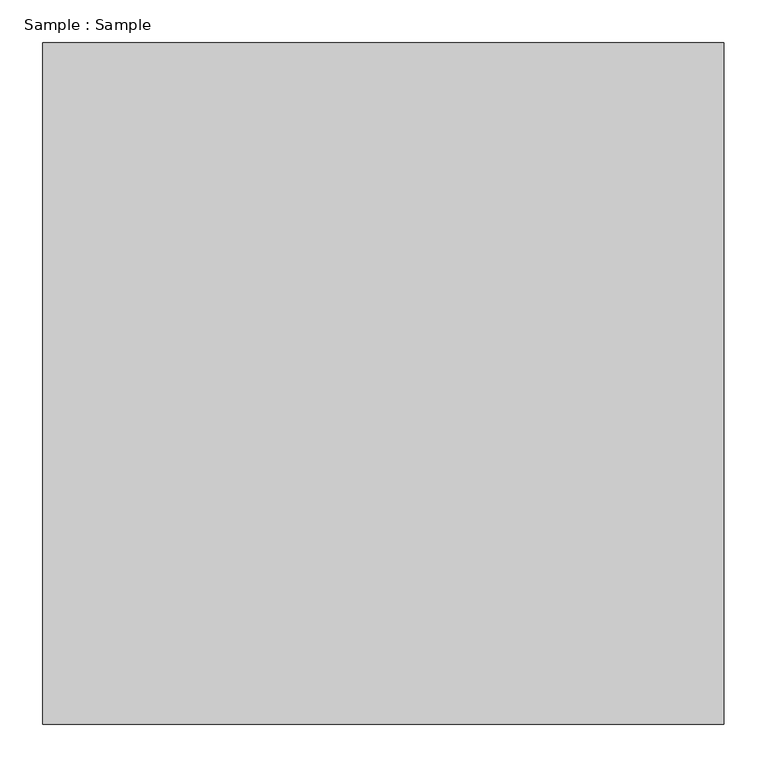
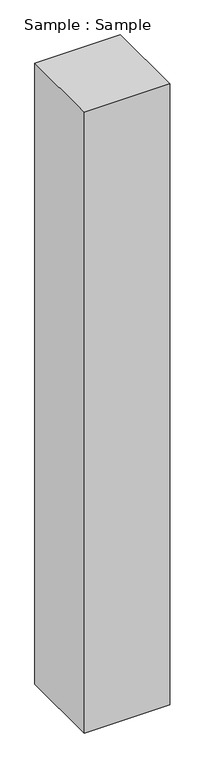
"""IFC4 building model written with IfcOpenShell, lengths in millimetres: proxy geometry, Sample : Sample."""

from ifc_helpers import new_model, si_unit, origin, origin_with_axes, place, context, project, spatial, polyline, outline, extrude, source, transform, mapped, element, save


def sample_sample_d6116edf(model_context):
    return source(origin(), model_context, "Body", "SweptSolid", [
        extrude(outline(polyline([(400.0, 400.0), (400.0, -400.0), (-400.0, -400.0), (-400.0, 400.0), (400.0, 400.0)])), origin_with_axes(), (0.0, 0.0, 1.0), 6137.9310345),
    ])


if __name__ == "__main__":
    model = new_model("IFC4")
    model_context = context("Model", 3, world=origin())
    ifc_project = project(units=[si_unit("LENGTHUNIT", "METRE", prefix="MILLI")], contexts=[model_context])
    site = spatial("IfcSite", under=ifc_project)
    building = spatial("IfcBuilding", under=site)
    placement = place(None, origin())
    sample_sample_shape = sample_sample_d6116edf(model_context)
    element("IfcBuildingElementProxy", 1, Name="Sample : Sample", ObjectType="Sample : Sample", at=placement, inside=building, context=model_context, shape_type="MappedRepresentation", body=[
        mapped(sample_sample_shape, transform((0.0, 0.0, 0.0), x_axis=(1.0, 0.0, 0.0), y_axis=(0.0, 1.0, 0.0), z_axis=(0.0, 0.0, 1.0))),
    ])
    save(model, "model.ifc")
